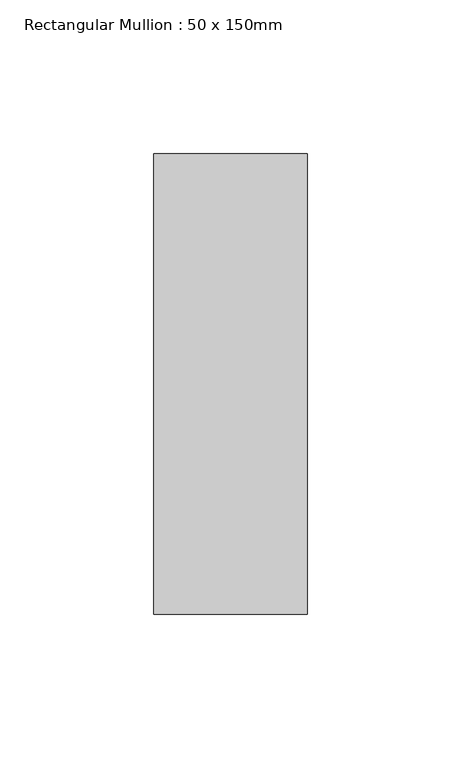
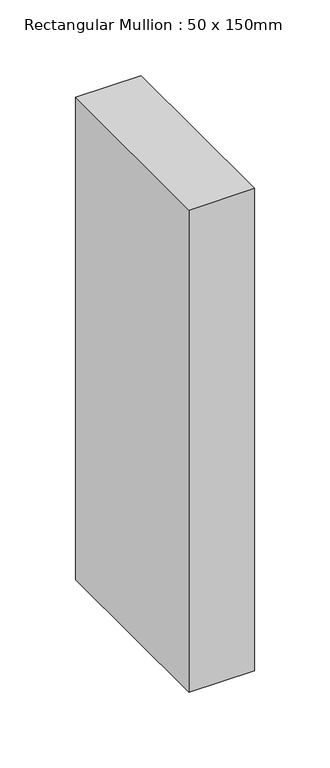
"""IFC4 building model written with IfcOpenShell, lengths in millimetres: member geometry, Rectangular Mullion : 50 x 150mm."""

from ifc_helpers import new_model, si_unit, frame, origin, place, context, project, spatial, polyline, outline, extrude, source, transform, mapped, element, save


def rectangular_mullion_50_x_150mm_5a5170fc(model_context):
    return source(origin(), model_context, "Body", "SweptSolid", [
        extrude(outline(polyline([(25.0, 75.0), (25.0, -75.0), (-25.0, -75.0), (-25.0, 75.0), (25.0, 75.0)])), frame((0.0, 0.0, -389.3512381), z_axis=(0.0, 0.0, 1.0), x_axis=(1.0, 0.0, 0.0)), (0.0, 0.0, 1.0), 389.3512381),
    ])


if __name__ == "__main__":
    model = new_model("IFC4")
    model_context = context("Model", 3, world=origin())
    ifc_project = project(units=[si_unit("LENGTHUNIT", "METRE", prefix="MILLI")], contexts=[model_context])
    site = spatial("IfcSite", under=ifc_project)
    building = spatial("IfcBuilding", under=site)
    placement = place(None, origin())
    rectangular_mullion_50_x_150mm_shape = rectangular_mullion_50_x_150mm_5a5170fc(model_context)
    element("IfcMember", 1, ObjectType="Rectangular Mullion : 50 x 150mm", at=placement, inside=building, context=model_context, shape_type="MappedRepresentation", body=[
        mapped(rectangular_mullion_50_x_150mm_shape, transform((0.0, 0.0, 0.0), x_axis=(1.0, 0.0, 0.0), y_axis=(0.0, 1.0, 0.0), z_axis=(0.0, 0.0, 1.0))),
    ])
    save(model, "model.ifc")
